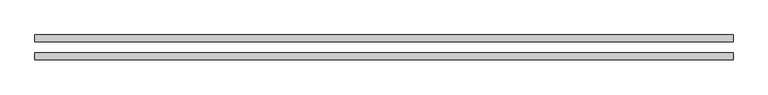
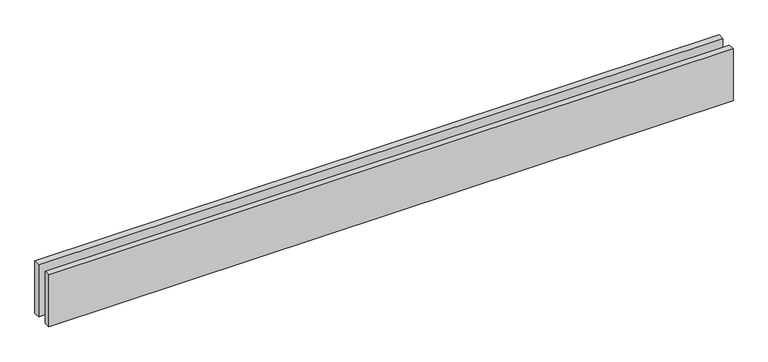
"""IFC4 building model written with IfcOpenShell, lengths in millimetres: proxy geometry."""

from ifc_helpers import new_model, si_unit, origin, origin_with_axes, place, context, project, spatial, polyline, outline, extrude, source, transform, mapped, element, save


def generic_models_13860af8(model_context):
    return source(origin(), model_context, "Body", "SweptSolid", [
        extrude(outline(polyline([(3110.0, -25.0), (3110.0, -55.0), (0.0, -55.0), (0.0, -25.0), (3110.0, -25.0)])), origin_with_axes(), (0.0, 0.0, 1.0), 250.0),
        extrude(outline(polyline([(3110.0, 55.0), (3110.0, 25.0), (0.0, 25.0), (0.0, 55.0), (3110.0, 55.0)])), origin_with_axes(), (0.0, 0.0, 1.0), 250.0),
    ])


if __name__ == "__main__":
    model = new_model("IFC4")
    model_context = context("Model", 3, world=origin())
    ifc_project = project(units=[si_unit("LENGTHUNIT", "METRE", prefix="MILLI")], contexts=[model_context])
    site = spatial("IfcSite", under=ifc_project)
    building = spatial("IfcBuilding", under=site)
    placement = place(None, origin())
    generic_models_shape = generic_models_13860af8(model_context)
    element("IfcBuildingElementProxy", 1, Name="Generic Models", at=placement, inside=building, context=model_context, shape_type="MappedRepresentation", body=[
        mapped(generic_models_shape, transform((0.0, 0.0, 0.0), x_axis=(1.0, 0.0, 0.0), y_axis=(0.0, 1.0, 0.0), z_axis=(0.0, 0.0, 1.0))),
    ])
    save(model, "model.ifc")
